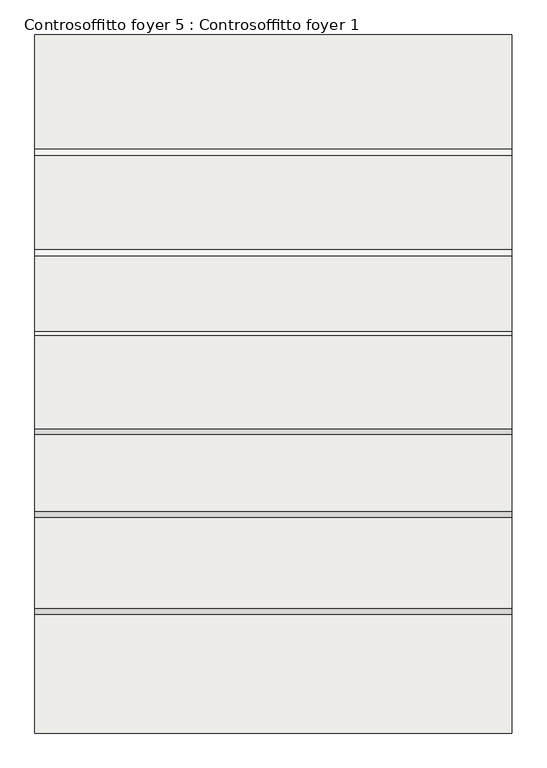
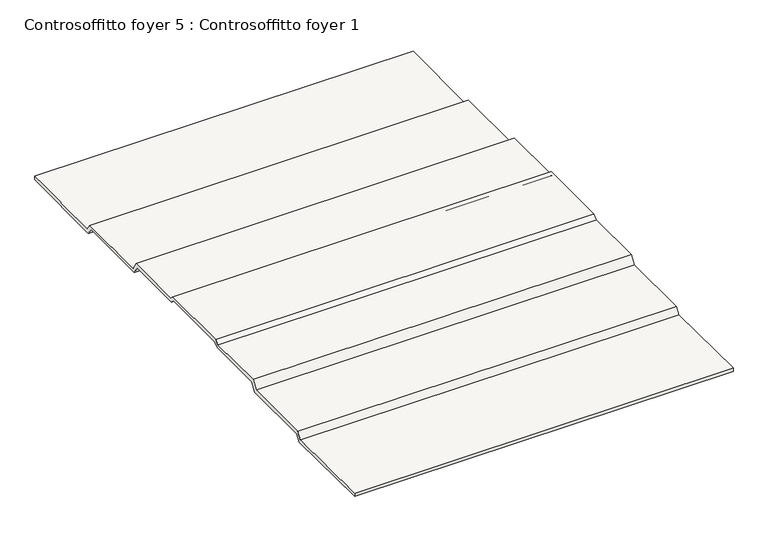
"""IFC4 building model written with IfcOpenShell, lengths in millimetres: slab geometry, Controsoffitto foyer 5 : Controsoffitto foyer 1."""

from ifc_helpers import new_model, si_unit, frame, origin, place, context, project, spatial, polyline, outline, extrude, source, transform, mapped, element, save


def controsoffitto_foyer_5_controsoffitto_foyer_1_6ad85c5a(model_context):
    return source(origin(), model_context, "Body", "SweptSolid", [
        extrude(outline(polyline([(117094.4193285, 6380.2599351), (115978.1217872, 6391.5306895), (115978.1217872, 6431.5327282), (117073.7442403, 6420.470721), (117125.9170115, 6494.9811602), (117969.1606693, 6494.9811602), (118028.9670273, 6587.0748755), (118736.4357933, 6583.3184992), (118784.7210328, 6623.8346259), (119647.5977242, 6623.8346259), (119691.364984, 6587.1095343), (120389.8110707, 6587.1095343), (120447.0599558, 6491.8313895), (121318.6540967, 6491.8313895), (121374.2905777, 6412.37426), (122429.3735527, 6425.2721394), (122429.3735527, 6385.2691507), (121353.6466938, 6372.1189099), (121297.8314147, 6451.8313895), (120424.4290446, 6451.8313895), (120367.3721279, 6546.7900455), (119677.1869266, 6546.7900455), (119633.10376, 6583.7802143), (118799.2149969, 6583.7802143), (118750.9023899, 6543.2411236), (118050.6102612, 6546.9593948), (117990.8788973, 6454.9811602), (117146.7396936, 6454.9811602), (117094.4193285, 6380.2599351)])), frame((-7538.9612316, 0.0, 0.0), z_axis=(1.0, 0.0, 0.0), x_axis=(0.0, 1.0, 0.0)), (0.0, 0.0, 1.0), 4406.1618026),
    ])


if __name__ == "__main__":
    model = new_model("IFC4")
    model_context = context("Model", 3, world=origin())
    ifc_project = project(units=[si_unit("LENGTHUNIT", "METRE", prefix="MILLI")], contexts=[model_context])
    site = spatial("IfcSite", under=ifc_project)
    building = spatial("IfcBuilding", under=site)
    placement = place(None, origin())
    controsoffitto_foyer_5_controsoffitto_foyer_1_shape = controsoffitto_foyer_5_controsoffitto_foyer_1_6ad85c5a(model_context)
    element("IfcSlab", 1, ObjectType="Controsoffitto foyer 5 : Controsoffitto foyer 1", at=placement, inside=building, context=model_context, shape_type="MappedRepresentation", body=[
        mapped(controsoffitto_foyer_5_controsoffitto_foyer_1_shape, transform((0.0, 0.0, 0.0), x_axis=(1.0, 0.0, 0.0), y_axis=(0.0, 1.0, 0.0), z_axis=(0.0, 0.0, 1.0))),
    ])
    save(model, "model.ifc")
